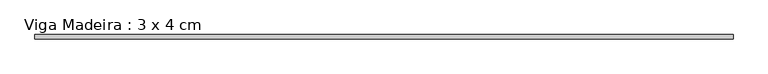
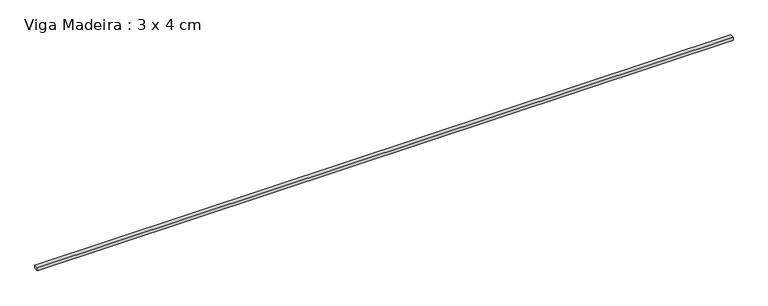
"""IFC4 building model written with IfcOpenShell, lengths in millimetres: beam geometry, Viga Madeira : 3 x 4 cm."""

from ifc_helpers import new_model, si_unit, frame, origin, place, context, project, spatial, polyline, outline, extrude, source, transform, mapped, element, save


def viga_madeira_3_x_4_cm_bd56ce60(model_context):
    return source(origin(), model_context, "Body", "SweptSolid", [
        extrude(outline(polyline([(3239.437294, 20.0), (3239.437294, -20.0), (-3239.437294, -20.0), (-3239.437294, 20.0), (3239.437294, 20.0)])), frame((0.0, 0.0, -15.0), z_axis=(0.0, 0.0, 1.0), x_axis=(1.0, 0.0, 0.0)), (0.0, 0.0, 1.0), 30.0),
    ])


if __name__ == "__main__":
    model = new_model("IFC4")
    model_context = context("Model", 3, world=origin())
    ifc_project = project(units=[si_unit("LENGTHUNIT", "METRE", prefix="MILLI")], contexts=[model_context])
    site = spatial("IfcSite", under=ifc_project)
    building = spatial("IfcBuilding", under=site)
    placement = place(None, origin())
    viga_madeira_3_x_4_cm_shape = viga_madeira_3_x_4_cm_bd56ce60(model_context)
    element("IfcBeam", 1, ObjectType="Viga Madeira : 3 x 4 cm", at=placement, inside=building, context=model_context, shape_type="MappedRepresentation", body=[
        mapped(viga_madeira_3_x_4_cm_shape, transform((0.0, 0.0, 0.0), x_axis=(1.0, 0.0, 0.0), y_axis=(0.0, 1.0, 0.0), z_axis=(0.0, 0.0, 1.0))),
    ])
    save(model, "model.ifc")
